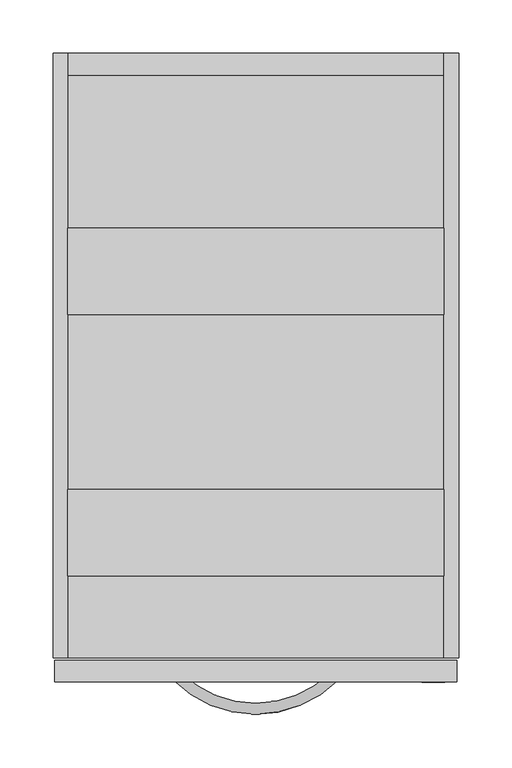
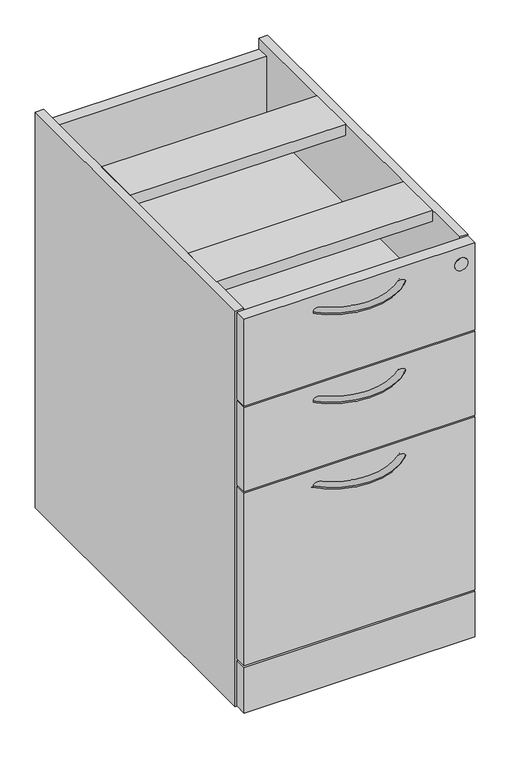
"""IFC4 building model written with IfcOpenShell, lengths in millimetres: furniture geometry."""

from ifc_helpers import new_model, si_unit, point, frame, frame_2d, origin, origin_with_axes, place, context, project, spatial, polyline, circle_curve, ellipse_curve, trimmed, segment, composite_curve, outline, extrude, source, transform, mapped, element, save
from ifc_brep_helpers import plane_surface, revolved_surface, advanced_brep


def furniture_42ef7dfd(model_context):
    return source(origin(), model_context, "Body", "SolidModel", [
        advanced_brep(
        [(244.2081107, 8.5864322, 670.1744451), (251.3639827, 1.3740057, 670.1744451), (103.3452893, 9.140876, 670.1744451), (96.1328628, 1.985004, 670.1744451)],
        [
            (0, 1, circle_curve(frame((247.7860467, 4.9802189, 670.1744451), z_axis=(0.7098844935595596, 0.7043181140675622, 0.0), x_axis=(0.7043181140675622, -0.7098844935595596, 0.0)), 5.08)),
            (1, 0, circle_curve(frame((247.7860467, 4.9802189, 670.1744451), z_axis=(0.7098844935595596, 0.7043181140675622, 0.0), x_axis=(0.7043181140675622, -0.7098844935595596, 0.0)), 5.08)),
            (2, 3, circle_curve(frame((99.7390761, 5.56294, 670.1744451), z_axis=(-0.7043181140675633, 0.7098844935595585, 0.0), x_axis=(-0.7098844935595585, -0.7043181140675633, 0.0)), 5.08)),
            (3, 2, circle_curve(frame((99.7390761, 5.56294, 670.1744451), z_axis=(-0.7043181140675633, 0.7098844935595585, 0.0), x_axis=(-0.7098844935595585, -0.7043181140675633, 0.0)), 5.08)),
            (3, 1, circle_curve(frame((174.0539219, 79.2950648, 670.1744451), z_axis=(0.0, 0.0, 1.0), x_axis=(0.7043181140675623, -0.7098844935595595, 0.0)), 109.7658278)),
            (0, 2, circle_curve(frame((174.0539219, 79.2950648, 670.1744451), z_axis=(0.0, 0.0, -1.0), x_axis=(0.7043181140675623, -0.7098844935595595, 0.0)), 99.6058278)),
        ],
        [
            plane_surface(frame((247.8409674, 4.9248642, 670.1234375), z_axis=(0.7098844935595596, 0.7043181140675623, 0.0), x_axis=(0.0, 0.0, 1.0))),
            plane_surface(frame((99.6837214, 5.5080193, 670.1234375), z_axis=(-0.7043181140675635, 0.7098844935595584, 0.0), x_axis=(0.0, 0.0, 1.0))),
            revolved_surface(trimmed(ellipse_curve(frame((247.7860467, 4.9802189, 670.1744451), z_axis=(0.7098844935595596, 0.7043181140675622, 0.0), x_axis=(0.7043181140675622, -0.7098844935595596, 0.0)), 5.08, 5.08), [point((244.2081107, 8.5864322, 670.1744451))], [point((251.3639827, 1.3740057, 670.1744451))], True, "CARTESIAN"), (174.0539219, 79.2950648, 670.1234375), (0.0, 0.0, -1.0)),
            revolved_surface(trimmed(ellipse_curve(frame((247.7860467, 4.9802189, 670.1744451), z_axis=(0.7098844935595596, 0.7043181140675622, 0.0), x_axis=(0.7043181140675622, -0.7098844935595596, 0.0)), 5.08, 5.08), [point((251.3639827, 1.3740057, 670.1744451))], [point((244.2081107, 8.5864322, 670.1744451))], True, "CARTESIAN"), (174.0539219, 79.2950648, 670.1234375), (0.0, 0.0, -1.0)),
        ],
        [
            (0, [[1, 2]]),
            (1, [[3, 4]]),
            (2, [[5, -1, 6, -4]]),
            (3, [[-6, -2, -5, -3]]),
        ],
    ),
        advanced_brep(
        [(244.2081107, 8.5864322, 368.2790769), (251.3639827, 1.3740057, 368.2790769), (103.3452893, 9.140876, 368.2790769), (96.1328628, 1.985004, 368.2790769)],
        [
            (0, 1, circle_curve(frame((247.7860467, 4.9802189, 368.2790769), z_axis=(0.7098844935595596, 0.7043181140675622, 0.0), x_axis=(0.7043181140675622, -0.7098844935595596, 0.0)), 5.08)),
            (1, 0, circle_curve(frame((247.7860467, 4.9802189, 368.2790769), z_axis=(0.7098844935595596, 0.7043181140675622, 0.0), x_axis=(0.7043181140675622, -0.7098844935595596, 0.0)), 5.08)),
            (2, 3, circle_curve(frame((99.7390761, 5.56294, 368.2790769), z_axis=(-0.7043181140675633, 0.7098844935595585, 0.0), x_axis=(-0.7098844935595585, -0.7043181140675633, 0.0)), 5.08)),
            (3, 2, circle_curve(frame((99.7390761, 5.56294, 368.2790769), z_axis=(-0.7043181140675633, 0.7098844935595585, 0.0), x_axis=(-0.7098844935595585, -0.7043181140675633, 0.0)), 5.08)),
            (3, 1, circle_curve(frame((174.0539219, 79.2950648, 368.2790769), z_axis=(0.0, 0.0, 1.0), x_axis=(0.7043181140675623, -0.7098844935595595, 0.0)), 109.7658278)),
            (0, 2, circle_curve(frame((174.0539219, 79.2950648, 368.2790769), z_axis=(0.0, 0.0, -1.0), x_axis=(0.7043181140675623, -0.7098844935595595, 0.0)), 99.6058278)),
        ],
        [
            plane_surface(frame((247.8409674, 4.9248642, 670.1234375), z_axis=(0.7098844935595596, 0.7043181140675623, 0.0), x_axis=(0.0, 0.0, 1.0))),
            plane_surface(frame((99.6837214, 5.5080193, 670.1234375), z_axis=(-0.7043181140675635, 0.7098844935595584, 0.0), x_axis=(0.0, 0.0, 1.0))),
            revolved_surface(trimmed(ellipse_curve(frame((247.7860467, 4.9802189, 368.2790769), z_axis=(0.7098844935595596, 0.7043181140675622, 0.0), x_axis=(0.7043181140675622, -0.7098844935595596, 0.0)), 5.08, 5.08), [point((244.2081107, 8.5864322, 368.2790769))], [point((251.3639827, 1.3740057, 368.2790769))], True, "CARTESIAN"), (174.0539219, 79.2950648, 670.1234375), (0.0, 0.0, -1.0)),
            revolved_surface(trimmed(ellipse_curve(frame((247.7860467, 4.9802189, 368.2790769), z_axis=(0.7098844935595596, 0.7043181140675622, 0.0), x_axis=(0.7043181140675622, -0.7098844935595596, 0.0)), 5.08, 5.08), [point((251.3639827, 1.3740057, 368.2790769))], [point((244.2081107, 8.5864322, 368.2790769))], True, "CARTESIAN"), (174.0539219, 79.2950648, 670.1234375), (0.0, 0.0, -1.0)),
        ],
        [
            (0, [[1, 2]]),
            (1, [[3, 4]]),
            (2, [[5, -1, 6, -4]]),
            (3, [[-6, -2, -5, -3]]),
        ],
    ),
        advanced_brep(
        [(244.2081107, 8.5864322, 516.0281992), (251.3639827, 1.3740057, 516.0281992), (103.3452893, 9.140876, 516.0281992), (96.1328628, 1.985004, 516.0281992)],
        [
            (0, 1, circle_curve(frame((247.7860467, 4.9802189, 516.0281992), z_axis=(0.7098844935595596, 0.7043181140675622, 0.0), x_axis=(0.7043181140675622, -0.7098844935595596, 0.0)), 5.08)),
            (1, 0, circle_curve(frame((247.7860467, 4.9802189, 516.0281992), z_axis=(0.7098844935595596, 0.7043181140675622, 0.0), x_axis=(0.7043181140675622, -0.7098844935595596, 0.0)), 5.08)),
            (2, 3, circle_curve(frame((99.7390761, 5.56294, 516.0281992), z_axis=(-0.7043181140675633, 0.7098844935595585, 0.0), x_axis=(-0.7098844935595585, -0.7043181140675633, 0.0)), 5.08)),
            (3, 2, circle_curve(frame((99.7390761, 5.56294, 516.0281992), z_axis=(-0.7043181140675633, 0.7098844935595585, 0.0), x_axis=(-0.7098844935595585, -0.7043181140675633, 0.0)), 5.08)),
            (3, 1, circle_curve(frame((174.0539219, 79.2950648, 516.0281992), z_axis=(0.0, 0.0, 1.0), x_axis=(0.7043181140675623, -0.7098844935595595, 0.0)), 109.7658278)),
            (0, 2, circle_curve(frame((174.0539219, 79.2950648, 516.0281992), z_axis=(0.0, 0.0, -1.0), x_axis=(0.7043181140675623, -0.7098844935595595, 0.0)), 99.6058278)),
        ],
        [
            plane_surface(frame((247.8409674, 4.9248642, 670.1234375), z_axis=(0.7098844935595596, 0.7043181140675623, 0.0), x_axis=(0.0, 0.0, 1.0))),
            plane_surface(frame((99.6837214, 5.5080193, 670.1234375), z_axis=(-0.7043181140675635, 0.7098844935595584, 0.0), x_axis=(0.0, 0.0, 1.0))),
            revolved_surface(trimmed(ellipse_curve(frame((247.7860467, 4.9802189, 516.0281992), z_axis=(0.7098844935595596, 0.7043181140675622, 0.0), x_axis=(0.7043181140675622, -0.7098844935595596, 0.0)), 5.08, 5.08), [point((244.2081107, 8.5864322, 516.0281992))], [point((251.3639827, 1.3740057, 516.0281992))], True, "CARTESIAN"), (174.0539219, 79.2950648, 670.1234375), (0.0, 0.0, -1.0)),
            revolved_surface(trimmed(ellipse_curve(frame((247.7860467, 4.9802189, 516.0281992), z_axis=(0.7098844935595596, 0.7043181140675622, 0.0), x_axis=(0.7043181140675622, -0.7098844935595596, 0.0)), 5.08, 5.08), [point((251.3639827, 1.3740057, 516.0281992))], [point((244.2081107, 8.5864322, 516.0281992))], True, "CARTESIAN"), (174.0539219, 79.2950648, 670.1234375), (0.0, 0.0, -1.0)),
        ],
        [
            (0, [[1, 2]]),
            (1, [[3, 4]]),
            (2, [[5, -1, 6, -4]]),
            (3, [[-6, -2, -5, -3]]),
        ],
    ),
        extrude(outline(composite_curve([segment(trimmed(circle_curve(frame_2d((667.8821801, 340.8630901)), 10.668), [point((667.8821801, 330.1950901))], [point((667.8821801, 351.5310901))], False, "CARTESIAN"), True, "CONTINUOUS"), segment(trimmed(circle_curve(frame_2d((667.8821801, 340.8630901)), 10.668), [point((667.8821801, 351.5310901))], [point((667.8821801, 330.1950901))], False, "CARTESIAN"), True, "CONTINUOUS")], self_intersect=False)), frame((0.0, -0.508, 0.0), z_axis=(0.0, 1.0, 0.0), x_axis=(0.0, 0.0, 1.0)), (0.0, 0.0, 1.0), 0.5079459),
        extrude(outline(composite_curve([segment(trimmed(circle_curve(frame_2d((19.0968082, 555.2063789)), 14.478), [point((4.6188082, 555.2063789))], [point((33.5748082, 555.2063789))], False, "CARTESIAN"), True, "CONTINUOUS"), segment(trimmed(circle_curve(frame_2d((19.0968082, 555.2063789)), 14.478), [point((33.5748082, 555.2063789))], [point((4.6188082, 555.2063789))], False, "CARTESIAN"), True, "CONTINUOUS")], self_intersect=False)), origin_with_axes(), (0.0, 0.0, 1.0), 12.7),
        extrude(outline(composite_curve([segment(trimmed(circle_curve(frame_2d((19.0968082, 55.3254588)), 14.478), [point((4.6188082, 55.3254588))], [point((33.5748082, 55.3254588))], False, "CARTESIAN"), True, "CONTINUOUS"), segment(trimmed(circle_curve(frame_2d((19.0968082, 55.3254588)), 14.478), [point((33.5748082, 55.3254588))], [point((4.6188082, 55.3254588))], False, "CARTESIAN"), True, "CONTINUOUS")], self_intersect=False)), origin_with_axes(), (0.0, 0.0, 1.0), 12.7),
        extrude(outline(composite_curve([segment(trimmed(circle_curve(frame_2d((328.4419262, 555.2063789)), 14.478), [point((313.9639262, 555.2063789))], [point((342.9199262, 555.2063789))], False, "CARTESIAN"), True, "CONTINUOUS"), segment(trimmed(circle_curve(frame_2d((328.4419262, 555.2063789)), 14.478), [point((342.9199262, 555.2063789))], [point((313.9639262, 555.2063789))], False, "CARTESIAN"), True, "CONTINUOUS")], self_intersect=False)), origin_with_axes(), (0.0, 0.0, 1.0), 12.7),
        extrude(outline(composite_curve([segment(trimmed(circle_curve(frame_2d((328.4419262, 55.3254588)), 14.478), [point((313.9639262, 55.3254588))], [point((342.9199262, 55.3254588))], False, "CARTESIAN"), True, "CONTINUOUS"), segment(trimmed(circle_curve(frame_2d((328.4419262, 55.3254588)), 14.478), [point((342.9199262, 55.3254588))], [point((313.9639262, 55.3254588))], False, "CARTESIAN"), True, "CONTINUOUS")], self_intersect=False)), origin_with_axes(), (0.0, 0.0, 1.0), 12.7),
        extrude(outline(polyline([(363.0562901, -5.41e-05), (-14.9477997, -5.41e-05), (-14.9477997, 20.1673196), (363.0562901, 20.1673196), (363.0562901, -5.41e-05)])), frame((0.0, 0.0, 15.1892005), z_axis=(0.0, 0.0, 1.0), x_axis=(1.0, 0.0, 0.0)), (0.0, 0.0, 1.0), 78.4098011),
        extrude(outline(polyline([(363.0562901, -5.41e-05), (-14.9477997, -5.41e-05), (-14.9477997, 20.1676), (363.0562901, 20.1676), (363.0562901, -5.41e-05)])), frame((0.0, 0.0, 546.5508549), z_axis=(0.0, 0.0, 1.0), x_axis=(1.0, 0.0, 0.0)), (0.0, 0.0, 1.0), 150.6664714),
        extrude(outline(polyline([(363.0562901, -5.41e-05), (-14.9477997, -5.41e-05), (-14.9477997, 20.1676), (363.0562901, 20.1676), (363.0562901, -5.41e-05)])), frame((0.0, 0.0, 398.3990107), z_axis=(0.0, 0.0, 1.0), x_axis=(1.0, 0.0, 0.0)), (0.0, 0.0, 1.0), 145.1546435),
        extrude(outline(polyline([(363.0562901, -5.41e-05), (-14.9477997, -5.41e-05), (-14.9477997, 20.1676), (363.0562901, 20.1676), (363.0562901, -5.41e-05)])), frame((0.0, 0.0, 96.5962023), z_axis=(0.0, 0.0, 1.0), x_axis=(1.0, 0.0, 0.0)), (0.0, 0.0, 1.0), 298.8056075),
        extrude(outline(polyline([(569.8995163, 678.6499277), (590.55, 678.6499277), (590.55, 12.7), (22.5805444, 12.7), (22.5805444, 48.5394019), (569.8995163, 48.5394019), (569.8995163, 390.8454182), (22.5805444, 390.8454182), (22.5805444, 409.8954182), (569.8995163, 409.8954182), (569.8995163, 538.9972625), (22.5805444, 538.9972625), (22.5805444, 558.0472625), (569.8995163, 558.0472625), (569.8995163, 678.6499277)])), frame((-2.6276215, 0.0, 0.0), z_axis=(1.0, 0.0, 0.0), x_axis=(0.0, 1.0, 0.0)), (0.0, 0.0, 1.0), 353.3639434),
        extrude(outline(polyline([(350.7363219, 426.3895163), (350.7363219, 345.0078558), (-2.6276215, 345.0078558), (-2.6276215, 426.3895163), (350.7363219, 426.3895163)])), frame((0.0, 0.0, 678.6499277), z_axis=(0.0, 0.0, 1.0), x_axis=(1.0, 0.0, 0.0)), (0.0, 0.0, 1.0), 19.0499723),
        extrude(outline(polyline([(350.7363219, 180.6953118), (350.7363219, 99.3142327), (-2.6276215, 99.3142327), (-2.6276215, 180.6953118), (350.7363219, 180.6953118)])), frame((0.0, 0.0, 678.6499277), z_axis=(0.0, 0.0, 1.0), x_axis=(1.0, 0.0, 0.0)), (0.0, 0.0, 1.0), 19.0499723),
        extrude(outline(polyline([(-2.6276215, 590.55), (-2.6276215, 22.5805444), (-16.4460781, 22.5805444), (-16.4460781, 590.55), (-2.6276215, 590.55)])), frame((0.0, 0.0, 12.7), z_axis=(0.0, 0.0, 1.0), x_axis=(1.0, 0.0, 0.0)), (0.0, 0.0, 1.0), 684.9999),
        extrude(outline(polyline([(364.5539219, 590.55), (364.5539219, 22.5805444), (350.7363219, 22.5805444), (350.7363219, 590.55), (364.5539219, 590.55)])), frame((0.0, 0.0, 12.7), z_axis=(0.0, 0.0, 1.0), x_axis=(1.0, 0.0, 0.0)), (0.0, 0.0, 1.0), 684.9999),
    ])


if __name__ == "__main__":
    model = new_model("IFC4")
    model_context = context("Model", 3, world=origin())
    ifc_project = project(units=[si_unit("LENGTHUNIT", "METRE", prefix="MILLI")], contexts=[model_context])
    site = spatial("IfcSite", under=ifc_project)
    building = spatial("IfcBuilding", under=site)
    placement = place(None, origin())
    furniture_shape = furniture_42ef7dfd(model_context)
    element("IfcFurniture", 1, at=placement, inside=building, context=model_context, shape_type="MappedRepresentation", body=[
        mapped(furniture_shape, transform((0.0, 0.0, 0.0), x_axis=(1.0, 0.0, 0.0), y_axis=(0.0, 1.0, 0.0), z_axis=(0.0, 0.0, 1.0))),
    ])
    save(model, "model.ifc")
